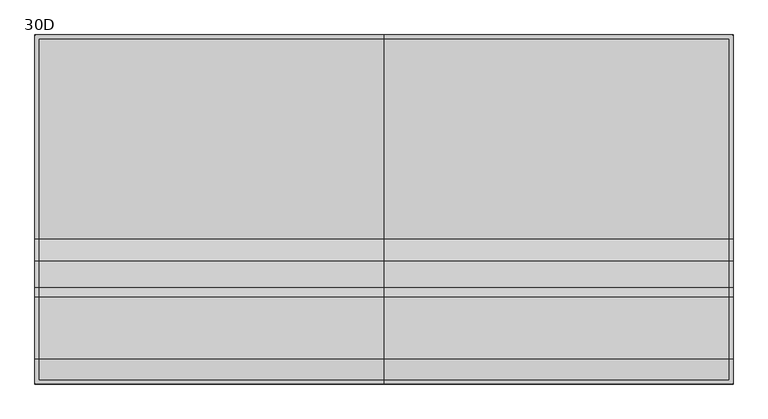
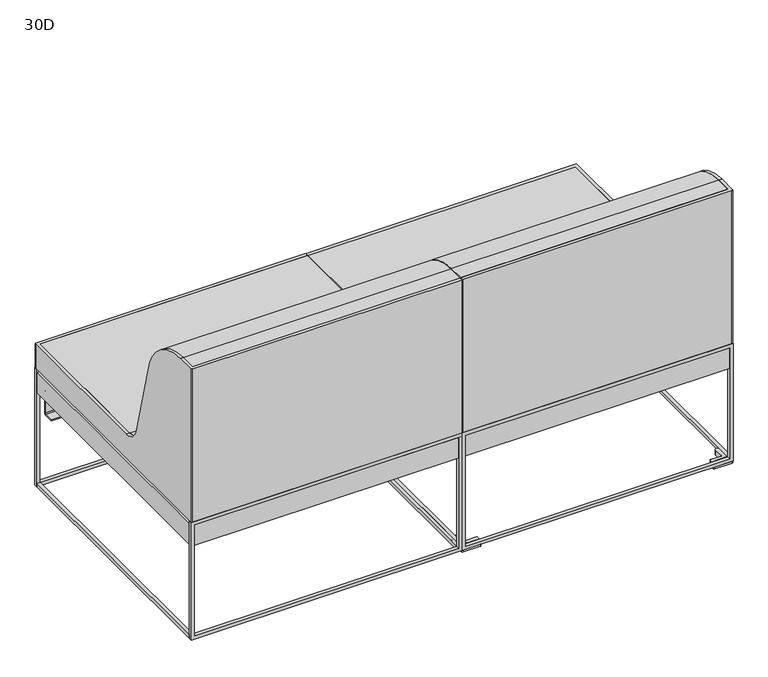
"""IFC4 building model written with IfcOpenShell, lengths in millimetres: furniture geometry, 30D."""

from ifc_helpers import new_model, si_unit, point, frame, frame_2d, origin, place, context, project, spatial, polyline, circle_curve, trimmed, segment, composite_curve, outline, extrude, source, transform, mapped, element, save
from ifc_brep_helpers import plane_surface, cylinder_surface, revolved_surface, advanced_brep


def furniture_30d_b2ae7614(model_context):
    return source(origin(), model_context, "Body", "SolidModel", [
        extrude(outline(polyline([(76.3255737, 762.0), (76.3255737, 761.5474113), (48.6342407, 761.5474113), (48.6342407, 762.0), (76.3255737, 762.0)])), frame((0.0, 0.0, 233.0534527), z_axis=(0.0, 0.0, 1.0), x_axis=(1.0, 0.0, 0.0)), (0.0, 0.0, 1.0), 27.4407306),
        extrude(outline(polyline([(152.3581421, 762.0), (152.3581421, 761.5474113), (124.6668091, 761.5474113), (124.6668091, 762.0), (152.3581421, 762.0)])), frame((0.0, 0.0, 233.0534527), z_axis=(0.0, 0.0, 1.0), x_axis=(1.0, 0.0, 0.0)), (0.0, 0.0, 1.0), 27.4407306),
        extrude(outline(polyline([(157.5113159, 761.5474113), (157.5113159, 759.897294), (43.0113281, 759.897294), (43.0113281, 761.5474113), (157.5113159, 761.5474113)])), frame((0.0, 0.0, 228.0394238), z_axis=(0.0, 0.0, 1.0), x_axis=(1.0, 0.0, 0.0)), (0.0, 0.0, 1.0), 37.0881613),
        extrude(outline(polyline([(160.5483398, 759.897294), (160.5483398, 758.7779434), (39.5464233, 758.7779434), (39.5464233, 759.897294), (160.5483398, 759.897294)])), frame((0.0, 0.0, 224.8084618), z_axis=(0.0, 0.0, 1.0), x_axis=(1.0, 0.0, 0.0)), (0.0, 0.0, 1.0), 44.1123329),
        extrude(outline(composite_curve([segment(polyline([(753.0797168, 280.8995693), (669.7477095, 280.8995693), (669.7477095, 283.5283514), (752.9538559, 283.5283514)]), True, "CONTINUOUS"), segment(trimmed(circle_curve(frame_2d((752.9538559, 277.704264)), 5.8240875), [point((752.9538559, 283.5283514))], [point((758.7779434, 277.704264))], False, "CARTESIAN"), True, "CONTINUOUS"), segment(polyline([(758.7779434, 277.704264), (758.7779434, 215.5405743)]), True, "CONTINUOUS"), segment(trimmed(circle_curve(frame_2d((752.4279434, 215.5405743)), 6.35), [point((758.7779434, 215.5405743))], [point((752.4279434, 209.1905743))], False, "CARTESIAN"), True, "CONTINUOUS"), segment(polyline([(752.4279434, 209.1905743), (726.2212681, 209.1905743), (726.2212681, 211.8216092), (752.7477967, 211.8216092)]), True, "CONTINUOUS"), segment(trimmed(circle_curve(frame_2d((752.7477967, 215.123667)), 3.3020578), [point((752.7477967, 211.8216092))], [point((756.0498545, 215.123667))], True, "CARTESIAN"), True, "CONTINUOUS"), segment(polyline([(756.0498545, 215.123667), (756.0498545, 277.9294317)]), True, "CONTINUOUS"), segment(trimmed(circle_curve(frame_2d((753.0797168, 277.9294317)), 2.9701377), [point((756.0498545, 277.9294317))], [point((753.0797168, 280.8995693))], True, "CARTESIAN"), True, "CONTINUOUS")], self_intersect=False)), frame((25.3798462, 0.0, 0.0), z_axis=(1.0, 0.0, 0.0), x_axis=(0.0, 1.0, 0.0)), (0.0, 0.0, 1.0), 150.0001465),
        extrude(outline(polyline([(763.1457418, 1.1443342), (763.1457418, 760.857802), (1522.8553024, 760.857802), (1522.8553024, 1.1443342), (763.1457418, 1.1443342)])), frame((0.0, 0.0, 283.5283514), z_axis=(0.0, 0.0, 1.0), x_axis=(1.0, 0.0, 0.0)), (0.0, 0.0, 1.0), 61.9613161),
        extrude(outline(polyline([(355.0146312, 1524.0), (355.0146312, 762.0), (5.7646191, 762.0), (5.7646191, 1524.0), (355.0146312, 1524.0)]), holes=[polyline([(345.4896675, 1514.348), (15.289646, 1514.348), (15.289646, 771.652), (345.4896675, 771.652), (345.4896675, 1514.348)])]), frame((0.0, 0.0, 0.0), z_axis=(0.0, 1.0, 0.0), x_axis=(0.0, 0.0, 1.0)), (0.0, 0.0, 1.0), 9.525),
        extrude(outline(polyline([(1514.348, 9.525218), (1514.348, 752.4678783), (1524.0, 752.4678783), (1524.0, 9.525218), (1514.348, 9.525218)])), frame((0.0, 0.0, 5.7646191), z_axis=(0.0, 0.0, 1.0), x_axis=(1.0, 0.0, 0.0)), (0.0, 0.0, 1.0), 9.5250269),
        extrude(outline(polyline([(771.652, 752.4678783), (771.652, 9.525218), (762.0, 9.525218), (762.0, 752.4678783), (771.652, 752.4678783)])), frame((0.0, 0.0, 5.7646191), z_axis=(0.0, 0.0, 1.0), x_axis=(1.0, 0.0, 0.0)), (0.0, 0.0, 1.0), 9.5250269),
        extrude(outline(polyline([(1514.348, 9.525218), (1514.348, 752.4678783), (1524.0, 752.4678783), (1524.0, 9.525218), (1514.348, 9.525218)])), frame((0.0, 0.0, 5.7646191), z_axis=(0.0, 0.0, 1.0), x_axis=(1.0, 0.0, 0.0)), (0.0, 0.0, 1.0), 9.5250269),
        extrude(outline(polyline([(771.652, 752.4678783), (771.652, 9.525218), (762.0, 9.525218), (762.0, 752.4678783), (771.652, 752.4678783)])), frame((0.0, 0.0, 5.7646191), z_axis=(0.0, 0.0, 1.0), x_axis=(1.0, 0.0, 0.0)), (0.0, 0.0, 1.0), 9.5250269),
        extrude(outline(polyline([(355.0146312, 1524.0), (355.0146312, 762.0), (5.7646191, 762.0), (5.7646191, 1524.0), (355.0146312, 1524.0)]), holes=[polyline([(345.4896675, 1514.348), (15.289646, 1514.348), (15.289646, 771.652), (345.4896675, 771.652), (345.4896675, 1514.348)])]), frame((0.0, 752.4678783, 0.0), z_axis=(0.0, 1.0, 0.0), x_axis=(0.0, 0.0, 1.0)), (0.0, 0.0, 1.0), 9.5321217),
        extrude(outline(polyline([(760.8542582, 1.1443342), (1.1446976, 1.1443342), (1.1446976, 760.857802), (760.8542582, 760.857802), (760.8542582, 1.1443342)])), frame((0.0, 0.0, 283.5283514), z_axis=(0.0, 0.0, 1.0), x_axis=(1.0, 0.0, 0.0)), (0.0, 0.0, 1.0), 61.9613161),
        extrude(outline(polyline([(762.0, 752.4678783), (762.0, 9.525218), (760.8553024, 9.525218), (760.8553024, 752.4678783), (762.0, 752.4678783)])), frame((0.0, 0.0, 283.5282424), z_axis=(0.0, 0.0, 1.0), x_axis=(1.0, 0.0, 0.0)), (0.0, 0.0, 1.0), 61.9616085),
        extrude(outline(polyline([(9.652, 9.525218), (0.0, 9.525218), (0.0, 752.4678783), (9.652, 752.4678783), (9.652, 9.525218)])), frame((0.0, 0.0, 5.7646191), z_axis=(0.0, 0.0, 1.0), x_axis=(1.0, 0.0, 0.0)), (0.0, 0.0, 1.0), 9.5250269),
        extrude(outline(polyline([(752.348, 752.4678783), (762.0, 752.4678783), (762.0, 9.525218), (752.348, 9.525218), (752.348, 752.4678783)])), frame((0.0, 0.0, 5.7646191), z_axis=(0.0, 0.0, 1.0), x_axis=(1.0, 0.0, 0.0)), (0.0, 0.0, 1.0), 9.5250269),
        extrude(outline(polyline([(355.0146312, 0.0), (5.7646191, 0.0), (5.7646191, 762.0), (355.0146312, 762.0), (355.0146312, 0.0)]), holes=[polyline([(345.4896675, 9.652), (345.4896675, 752.348), (15.289646, 752.348), (15.289646, 9.652), (345.4896675, 9.652)])]), frame((0.0, 752.4678783, 0.0), z_axis=(0.0, 1.0, 0.0), x_axis=(0.0, 0.0, 1.0)), (0.0, 0.0, 1.0), 9.5321217),
        extrude(outline(polyline([(355.0146312, 0.0), (5.7646191, 0.0), (5.7646191, 762.0), (355.0146312, 762.0), (355.0146312, 0.0)]), holes=[polyline([(345.4896675, 9.652), (345.4896675, 752.348), (15.289646, 752.348), (15.289646, 9.652), (345.4896675, 9.652)])]), frame((0.0, 0.0, 0.0), z_axis=(0.0, 1.0, 0.0), x_axis=(0.0, 0.0, 1.0)), (0.0, 0.0, 1.0), 9.525),
        extrude(outline(composite_curve([segment(polyline([(9.525218, 356.0322699), (9.525218, 811.3870454), (53.9744671, 811.3870454)]), True, "CONTINUOUS"), segment(trimmed(circle_curve(frame_2d((53.9744671, 652.5955773)), 158.7914681), [point((53.9744671, 811.3870454))], [point((190.5, 733.6850908))], False, "CARTESIAN"), True, "CONTINUOUS"), segment(trimmed(circle_curve(frame_2d((53.9744671, 652.5955773)), 158.7914681), [point((190.5, 733.6850908))], [point((209.8067184, 683.1085218))], False, "CARTESIAN"), True, "CONTINUOUS"), segment(trimmed(circle_curve(frame_2d((1889.2345963, 1011.9511668)), 1711.3198071), [point((209.8067184, 683.1085218))], [point((268.7710315, 461.7572761))], True, "CARTESIAN"), True, "CONTINUOUS"), segment(trimmed(circle_curve(frame_2d((316.873992, 478.0896118)), 50.8), [point((268.7710315, 461.7572761))], [point((316.873992, 427.2896118))], True, "CARTESIAN"), True, "CONTINUOUS"), segment(polyline([(316.873992, 427.2896118), (752.4678783, 427.2896118), (752.4678783, 356.0322699), (9.525218, 356.0322699)]), True, "CONTINUOUS")], self_intersect=False)), frame((9.525, 0.0, 0.0), z_axis=(1.0, 0.0, 0.0), x_axis=(0.0, 1.0, 0.0)), (0.0, 0.0, 1.0), 751.459),
        extrude(outline(composite_curve([segment(polyline([(9.525218, 356.0322699), (9.525218, 811.3870454), (53.9744671, 811.3870454)]), True, "CONTINUOUS"), segment(trimmed(circle_curve(frame_2d((53.9744671, 652.5955773)), 158.7914681), [point((53.9744671, 811.3870454))], [point((190.5, 733.6850908))], False, "CARTESIAN"), True, "CONTINUOUS"), segment(trimmed(circle_curve(frame_2d((53.9744671, 652.5955773)), 158.7914681), [point((190.5, 733.6850908))], [point((209.8067184, 683.1085218))], False, "CARTESIAN"), True, "CONTINUOUS"), segment(trimmed(circle_curve(frame_2d((1889.2345963, 1011.9511668)), 1711.3198071), [point((209.8067184, 683.1085218))], [point((268.7710315, 461.7572761))], True, "CARTESIAN"), True, "CONTINUOUS"), segment(trimmed(circle_curve(frame_2d((316.873992, 478.0896118)), 50.8), [point((268.7710315, 461.7572761))], [point((316.873992, 427.2896118))], True, "CARTESIAN"), True, "CONTINUOUS"), segment(polyline([(316.873992, 427.2896118), (752.4678783, 427.2896118), (752.4678783, 356.0322699), (9.525218, 356.0322699)]), True, "CONTINUOUS")], self_intersect=False)), frame((763.016, 0.0, 0.0), z_axis=(1.0, 0.0, 0.0), x_axis=(0.0, 1.0, 0.0)), (0.0, 0.0, 1.0), 751.332),
        advanced_brep(
        [(0.0, 3.5791729, 356.0322699), (0.0, 758.4208271, 356.0322699), (3.5791729, 762.0, 356.0322699), (760.984, 762.0, 356.0322699), (760.984, 752.4678783, 356.0322699), (9.652, 752.4678783, 356.0322699), (9.652, 9.525218, 356.0322699), (760.984, 9.525218, 356.0322699), (760.984, 0.0, 356.0322699), (3.5791729, 0.0, 356.0322699), (0.0, 3.5791729, 811.3870454), (0.0, 53.9744671, 811.3870454), (0.0, 190.5, 733.6850908), (0.0, 209.8067184, 683.1085218), (0.0, 268.7710315, 461.7572761), (0.0, 316.873992, 427.2896118), (0.0, 758.4208271, 427.2896118), (3.5791729, 762.0, 427.2896118), (760.984, 762.0, 427.2896118), (760.984, 0.0, 811.3870454), (3.5791729, 0.0, 811.3870454), (9.652, 9.525218, 811.3870454), (760.984, 9.525218, 811.3870454), (760.984, 752.4678783, 427.2896118), (9.652, 752.4678783, 427.2896118), (9.652, 316.873992, 427.2896118), (9.652, 268.7710315, 461.7572761), (9.652, 209.8067184, 683.1085218), (9.652, 190.5, 733.6850908), (9.652, 53.9744671, 811.3870454)],
        [
            (0, 1),
            (1, 2, circle_curve(frame((3.5791729, 758.4208271, 356.0322699), z_axis=(0.0, 0.0, -1.0), x_axis=(1.0, 0.0, 0.0)), 3.5791729)),
            (2, 3),
            (3, 4),
            (4, 5),
            (5, 6),
            (6, 7),
            (7, 8),
            (8, 9),
            (9, 0, circle_curve(frame((3.5791729, 3.5791729, 356.0322699), z_axis=(0.0, 0.0, -1.0), x_axis=(1.0, 0.0, 0.0)), 3.5791729)),
            (0, 10),
            (10, 11),
            (11, 12, circle_curve(frame((0.0, 53.9744671, 652.5955773), z_axis=(-1.0, 0.0, 0.0), x_axis=(0.0, -1.0, 0.0)), 158.7914681)),
            (12, 13, circle_curve(frame((0.0, 53.9744671, 652.5955773), z_axis=(-1.0, 0.0, 0.0), x_axis=(0.0, -1.0, 0.0)), 158.7914681)),
            (13, 14, circle_curve(frame((0.0, 1889.2345963, 1011.9511668), z_axis=(1.0, 0.0, 0.0), x_axis=(0.0, -1.0, 0.0)), 1711.3198071)),
            (14, 15, circle_curve(frame((0.0, 316.873992, 478.0896118), z_axis=(1.0, 0.0, 0.0), x_axis=(0.0, -1.0, 0.0)), 50.8)),
            (15, 16),
            (16, 1),
            (16, 17, circle_curve(frame((3.5791729, 758.4208271, 427.2896118), z_axis=(0.0, 0.0, -1.0), x_axis=(1.0, 0.0, 0.0)), 3.5791729)),
            (17, 2),
            (17, 18),
            (18, 3),
            (8, 19),
            (19, 20),
            (20, 9),
            (20, 10, circle_curve(frame((3.5791729, 3.5791729, 811.3870454), z_axis=(0.0, 0.0, -1.0), x_axis=(1.0, 0.0, 0.0)), 3.5791729)),
            (21, 22),
            (22, 7),
            (6, 21),
            (4, 23),
            (23, 24),
            (24, 5),
            (24, 25),
            (25, 26, circle_curve(frame((9.652, 316.873992, 478.0896118), z_axis=(-1.0, 0.0, 0.0), x_axis=(0.0, -1.0, 0.0)), 50.8)),
            (26, 27, circle_curve(frame((9.652, 1889.2345963, 1011.9511668), z_axis=(-1.0, 0.0, 0.0), x_axis=(0.0, -1.0, 0.0)), 1711.3198071)),
            (27, 28, circle_curve(frame((9.652, 53.9744671, 652.5955773), z_axis=(1.0, 0.0, 0.0), x_axis=(0.0, -1.0, 0.0)), 158.7914681)),
            (28, 29, circle_curve(frame((9.652, 53.9744671, 652.5955773), z_axis=(1.0, 0.0, 0.0), x_axis=(0.0, -1.0, 0.0)), 158.7914681)),
            (29, 21),
            (19, 22),
            (29, 11),
            (23, 18),
            (15, 25),
            (12, 28),
            (27, 13),
            (26, 14),
        ],
        [
            plane_surface(frame((0.0, 3.5791729, 356.0322699), z_axis=(0.0, 0.0, -1.0), x_axis=(0.0, -1.0, 0.0))),
            plane_surface(frame((0.0, 3.5791729, 883.1264159), z_axis=(-1.0, 0.0, 0.0), x_axis=(0.0, 0.0, -1.0))),
            cylinder_surface(frame((3.5791729, 758.4208271, 356.0322699), z_axis=(0.0, 0.0, 1.0), x_axis=(1.0, 0.0, 0.0)), 3.5791729),
            plane_surface(frame((3.5791729, 762.0, 883.1264159), z_axis=(0.0, 1.0, 0.0), x_axis=(0.0, 0.0, -1.0))),
            plane_surface(frame((1520.4208271, 0.0, 883.1264159), z_axis=(0.0, -1.0, 0.0), x_axis=(0.0, 0.0, -1.0))),
            cylinder_surface(frame((3.5791729, 3.5791729, 356.0322699), z_axis=(0.0, 0.0, 1.0), x_axis=(1.0, 0.0, 0.0)), 3.5791729),
            plane_surface(frame((9.652, 9.525218, 883.1264159), z_axis=(0.0, 1.0, 0.0), x_axis=(0.0, 0.0, -1.0))),
            plane_surface(frame((1514.348, 752.4678783, 883.1264159), z_axis=(0.0, -1.0, 0.0), x_axis=(0.0, 0.0, -1.0))),
            plane_surface(frame((9.652, 752.4678783, 883.1264159), z_axis=(1.0, 0.0, 0.0), x_axis=(0.0, 0.0, -1.0))),
            plane_surface(frame((1879.6, 53.9744671, 811.3870454), z_axis=(0.0, 0.0, 1.0), x_axis=(-1.0, 0.0, 0.0))),
            plane_surface(frame((1879.6, 765.2220566, 427.2896118), z_axis=(0.0, 0.0, 1.0), x_axis=(-1.0, 0.0, 0.0))),
            cylinder_surface(frame((0.0, 53.9744671, 652.5955773), z_axis=(-1.0, 0.0, 0.0), x_axis=(0.0, -1.0, 0.0)), 158.7914681),
            revolved_surface(polyline([(9.652, 177.9147892000001, 1011.9511668), (0.0, 177.9147892000001, 1011.9511668)]), (0.0, 1889.2345963, 1011.9511668), (1.0, 0.0, 0.0)),
            revolved_surface(polyline([(9.652, 266.073992, 478.0896118), (0.0, 266.073992, 478.0896118)]), (0.0, 316.873992, 478.0896118), (1.0, 0.0, 0.0)),
            plane_surface(frame((760.984, 0.0, 2246.8279227), z_axis=(1.0, 0.0, 0.0), x_axis=(0.0, 0.0, -1.0))),
        ],
        [
            (0, [[1, 2, 3, 4, 5, 6, 7, 8, 9, 10]]),
            (1, [[11, 12, 13, 14, 15, 16, 17, 18, -1]]),
            (2, [[-18, 19, 20, -2]]),
            (3, [[21, 22, -3, -20]]),
            (4, [[-9, 23, 24, 25]]),
            (5, [[-25, 26, -11, -10]]),
            (6, [[27, 28, -7, 29]]),
            (7, [[-5, 30, 31, 32]]),
            (8, [[-32, 33, 34, 35, 36, 37, 38, -29, -6]]),
            (9, [[-12, -26, -24, 39, -27, -38, 40]]),
            (10, [[-33, -31, 41, -21, -19, -17, 42]]),
            (11, [[-14, 43, -36, 44]]),
            (11, [[-37, -43, -13, -40]]),
            (12, [[-35, 45, -15, -44]]),
            (13, [[-34, -42, -16, -45]]),
            (14, [[-22, -41, -30, -4]]),
            (14, [[-28, -39, -23, -8]]),
        ],
    ),
        advanced_brep(
        [(1520.4208271, 0.0, 356.0322699), (763.016, 0.0, 356.0322699), (763.016, 9.525218, 356.0322699), (1514.348, 9.525218, 356.0322699), (1514.348, 752.4678783, 356.0322699), (763.016, 752.4678783, 356.0322699), (763.016, 762.0, 356.0322699), (1520.4208271, 762.0, 356.0322699), (1524.0, 758.4208271, 356.0322699), (1524.0, 3.5791729, 356.0322699), (763.016, 762.0, 427.2896118), (1520.4208271, 762.0, 427.2896118), (1524.0, 758.4208271, 427.2896118), (1524.0, 316.873992, 427.2896118), (1524.0, 268.7710315, 461.7572761), (1524.0, 209.8067184, 683.1085218), (1524.0, 190.5, 733.6850908), (1524.0, 53.9744671, 811.3870454), (1524.0, 3.5791729, 811.3870454), (1520.4208271, 0.0, 811.3870454), (763.016, 0.0, 811.3870454), (763.016, 9.525218, 811.3870454), (1514.348, 9.525218, 811.3870454), (1514.348, 53.9744671, 811.3870454), (1514.348, 190.5, 733.6850908), (1514.348, 209.8067184, 683.1085218), (1514.348, 268.7710315, 461.7572761), (1514.348, 316.873992, 427.2896118), (1514.348, 752.4678783, 427.2896118), (763.016, 752.4678783, 427.2896118)],
        [
            (0, 1),
            (1, 2),
            (2, 3),
            (3, 4),
            (4, 5),
            (5, 6),
            (6, 7),
            (7, 8, circle_curve(frame((1520.4208271, 758.4208271, 356.0322699), z_axis=(0.0, 0.0, -1.0), x_axis=(1.0, 0.0, 0.0)), 3.5791729)),
            (8, 9),
            (9, 0, circle_curve(frame((1520.4208271, 3.5791729, 356.0322699), z_axis=(0.0, 0.0, -1.0), x_axis=(1.0, 0.0, 0.0)), 3.5791729)),
            (6, 10),
            (10, 11),
            (11, 7),
            (11, 12, circle_curve(frame((1520.4208271, 758.4208271, 427.2896118), z_axis=(0.0, 0.0, -1.0), x_axis=(1.0, 0.0, 0.0)), 3.5791729)),
            (12, 8),
            (12, 13),
            (13, 14, circle_curve(frame((1524.0, 316.873992, 478.0896118), z_axis=(-1.0, 0.0, 0.0), x_axis=(0.0, -1.0, 0.0)), 50.8)),
            (14, 15, circle_curve(frame((1524.0, 1889.2345963, 1011.9511668), z_axis=(-1.0, 0.0, 0.0), x_axis=(0.0, -1.0, 0.0)), 1711.3198071)),
            (15, 16, circle_curve(frame((1524.0, 53.9744671, 652.5955773), z_axis=(1.0, 0.0, 0.0), x_axis=(0.0, -1.0, 0.0)), 158.7914681)),
            (16, 17, circle_curve(frame((1524.0, 53.9744671, 652.5955773), z_axis=(1.0, 0.0, 0.0), x_axis=(0.0, -1.0, 0.0)), 158.7914681)),
            (17, 18),
            (18, 9),
            (18, 19, circle_curve(frame((1520.4208271, 3.5791729, 811.3870454), z_axis=(0.0, 0.0, -1.0), x_axis=(1.0, 0.0, 0.0)), 3.5791729)),
            (19, 0),
            (19, 20),
            (20, 1),
            (2, 21),
            (21, 22),
            (22, 3),
            (22, 23),
            (23, 24, circle_curve(frame((1514.348, 53.9744671, 652.5955773), z_axis=(-1.0, 0.0, 0.0), x_axis=(0.0, -1.0, 0.0)), 158.7914681)),
            (24, 25, circle_curve(frame((1514.348, 53.9744671, 652.5955773), z_axis=(-1.0, 0.0, 0.0), x_axis=(0.0, -1.0, 0.0)), 158.7914681)),
            (25, 26, circle_curve(frame((1514.348, 1889.2345963, 1011.9511668), z_axis=(1.0, 0.0, 0.0), x_axis=(0.0, -1.0, 0.0)), 1711.3198071)),
            (26, 27, circle_curve(frame((1514.348, 316.873992, 478.0896118), z_axis=(1.0, 0.0, 0.0), x_axis=(0.0, -1.0, 0.0)), 50.8)),
            (27, 28),
            (28, 4),
            (28, 29),
            (29, 5),
            (21, 20),
            (17, 23),
            (10, 29),
            (27, 13),
            (24, 16),
            (15, 25),
            (14, 26),
        ],
        [
            plane_surface(frame((0.0, 3.5791729, 356.0322699), z_axis=(0.0, 0.0, -1.0), x_axis=(0.0, -1.0, 0.0))),
            plane_surface(frame((3.5791729, 762.0, 883.1264159), z_axis=(0.0, 1.0, 0.0), x_axis=(0.0, 0.0, -1.0))),
            cylinder_surface(frame((1520.4208271, 758.4208271, 356.0322699), z_axis=(0.0, 0.0, 1.0), x_axis=(1.0, 0.0, 0.0)), 3.5791729),
            plane_surface(frame((1524.0, 758.4208271, 883.1264159), z_axis=(1.0, 0.0, 0.0), x_axis=(0.0, 0.0, -1.0))),
            cylinder_surface(frame((1520.4208271, 3.5791729, 356.0322699), z_axis=(0.0, 0.0, 1.0), x_axis=(1.0, 0.0, 0.0)), 3.5791729),
            plane_surface(frame((1520.4208271, 0.0, 883.1264159), z_axis=(0.0, -1.0, 0.0), x_axis=(0.0, 0.0, -1.0))),
            plane_surface(frame((9.652, 9.525218, 883.1264159), z_axis=(0.0, 1.0, 0.0), x_axis=(0.0, 0.0, -1.0))),
            plane_surface(frame((1514.348, 9.525218, 883.1264159), z_axis=(-1.0, 0.0, 0.0), x_axis=(0.0, 0.0, -1.0))),
            plane_surface(frame((1514.348, 752.4678783, 883.1264159), z_axis=(0.0, -1.0, 0.0), x_axis=(0.0, 0.0, -1.0))),
            plane_surface(frame((1879.6, 53.9744671, 811.3870454), z_axis=(0.0, 0.0, 1.0), x_axis=(-1.0, 0.0, 0.0))),
            plane_surface(frame((1879.6, 765.2220566, 427.2896118), z_axis=(0.0, 0.0, 1.0), x_axis=(-1.0, 0.0, 0.0))),
            cylinder_surface(frame((0.0, 53.9744671, 652.5955773), z_axis=(-1.0, 0.0, 0.0), x_axis=(0.0, -1.0, 0.0)), 158.7914681),
            revolved_surface(polyline([(1524.0, 177.9147892000001, 1011.9511668), (1514.348, 177.9147892000001, 1011.9511668)]), (0.0, 1889.2345963, 1011.9511668), (1.0, 0.0, 0.0)),
            revolved_surface(polyline([(1524.0, 266.073992, 478.0896118), (1514.348, 266.073992, 478.0896118)]), (0.0, 316.873992, 478.0896118), (1.0, 0.0, 0.0)),
            plane_surface(frame((763.016, 762.0, 2246.8279227), z_axis=(-1.0, 0.0, 0.0), x_axis=(0.0, 0.0, -1.0))),
        ],
        [
            (0, [[1, 2, 3, 4, 5, 6, 7, 8, 9, 10]]),
            (1, [[-7, 11, 12, 13]]),
            (2, [[-13, 14, 15, -8]]),
            (3, [[-15, 16, 17, 18, 19, 20, 21, 22, -9]]),
            (4, [[-22, 23, 24, -10]]),
            (5, [[25, 26, -1, -24]]),
            (6, [[-3, 27, 28, 29]]),
            (7, [[-29, 30, 31, 32, 33, 34, 35, 36, -4]]),
            (8, [[37, 38, -5, -36]]),
            (9, [[-30, -28, 39, -25, -23, -21, 40]]),
            (10, [[-16, -14, -12, 41, -37, -35, 42]]),
            (11, [[-32, 43, -19, 44]]),
            (11, [[-20, -43, -31, -40]]),
            (12, [[-18, 45, -33, -44]]),
            (13, [[-17, -42, -34, -45]]),
            (14, [[-26, -39, -27, -2]]),
            (14, [[-38, -41, -11, -6]]),
        ],
    ),
        advanced_brep(
        [(1470.0248062, 17.8257996, 15.289646), (1470.0248062, 10.532642, 15.289646), (1514.348, 10.532642, 15.289646), (1514.348, 53.9744671, 15.289646), (1506.9916118, 53.9744671, 15.289646), (1503.6896118, 50.6724671, 15.289646), (1503.6896118, 23.6896322, 15.289646), (1500.3657792, 20.3657996, 15.289646), (1472.5648062, 20.3657996, 15.289646), (1470.0248062, 17.8257996, 0.0), (1472.5648062, 20.3657996, 0.0), (1500.3657792, 20.3657996, 0.0), (1503.6896118, 23.6896322, 0.0), (1503.6896118, 50.6724671, 0.0), (1506.9916118, 53.9744671, 0.0), (1521.46, 53.9744671, 0.0), (1524.0, 51.4344671, 0.0), (1524.0, 3.5791729, 0.0), (1520.4208271, 0.0, 0.0), (1472.6809604, 0.0, 0.0), (1470.0248062, 2.6561542, 0.0), (1470.0248062, 2.6561542, 5.7646191), (1470.0248062, 10.532642, 5.7646191), (1472.6809604, 0.0, 5.7646191), (1520.4208271, 0.0, 5.7646191), (1524.0, 3.5791729, 5.7646191), (1524.0, 51.4344671, 5.7646191), (1521.46, 53.9744671, 5.7646191), (1514.348, 53.9744671, 5.7646191), (1514.348, 10.532642, 5.7646191)],
        [
            (0, 1),
            (1, 2),
            (2, 3),
            (3, 4),
            (4, 5, circle_curve(frame((1506.9916118, 50.6724671, 15.289646), z_axis=(0.0, 0.0, 1.0), x_axis=(-1.0, 0.0, 0.0)), 3.302)),
            (5, 6),
            (6, 7, circle_curve(frame((1500.3657792, 23.6896322, 15.289646), z_axis=(0.0, 0.0, -1.0), x_axis=(-1.0, 0.0, 0.0)), 3.3238326)),
            (7, 8),
            (8, 0, circle_curve(frame((1472.5648062, 17.8257996, 15.289646), z_axis=(0.0, 0.0, 1.0), x_axis=(-1.0, 0.0, 0.0)), 2.54)),
            (9, 10, circle_curve(frame((1472.5648062, 17.8257996, 0.0), z_axis=(0.0, 0.0, -1.0), x_axis=(-1.0, 0.0, 0.0)), 2.54)),
            (10, 11),
            (11, 12, circle_curve(frame((1500.3657792, 23.6896322, 0.0), z_axis=(0.0, 0.0, 1.0), x_axis=(-1.0, 0.0, 0.0)), 3.3238326)),
            (12, 13),
            (13, 14, circle_curve(frame((1506.9916118, 50.6724671, 0.0), z_axis=(0.0, 0.0, -1.0), x_axis=(-1.0, 0.0, 0.0)), 3.302)),
            (14, 15),
            (15, 16, circle_curve(frame((1521.46, 51.4344671, 0.0), z_axis=(0.0, 0.0, -1.0), x_axis=(-1.0, 0.0, 0.0)), 2.54)),
            (16, 17),
            (17, 18, circle_curve(frame((1520.4208271, 3.5791729, 0.0), z_axis=(0.0, 0.0, -1.0), x_axis=(-1.0, 0.0, 0.0)), 3.5791729)),
            (18, 19),
            (19, 20, circle_curve(frame((1472.6809604, 2.6561542, 0.0), z_axis=(0.0, 0.0, -1.0), x_axis=(-1.0, 0.0, 0.0)), 2.6561542)),
            (20, 9),
            (20, 21),
            (21, 22),
            (22, 1),
            (0, 9),
            (19, 23),
            (23, 21, circle_curve(frame((1472.6809604, 2.6561542, 5.7646191), z_axis=(0.0, 0.0, -1.0), x_axis=(-1.0, 0.0, 0.0)), 2.6561542)),
            (18, 24),
            (24, 23),
            (17, 25),
            (25, 24, circle_curve(frame((1520.4208271, 3.5791729, 5.7646191), z_axis=(0.0, 0.0, -1.0), x_axis=(-1.0, 0.0, 0.0)), 3.5791729)),
            (16, 26),
            (26, 25),
            (15, 27),
            (27, 26, circle_curve(frame((1521.46, 51.4344671, 5.7646191), z_axis=(0.0, 0.0, -1.0), x_axis=(-1.0, 0.0, 0.0)), 2.54)),
            (14, 4),
            (3, 28),
            (28, 27),
            (13, 5),
            (12, 6),
            (11, 7),
            (10, 8),
            (28, 29),
            (29, 22),
            (2, 29),
        ],
        [
            plane_surface(frame((1470.0248062, 17.8257996, 15.289646), z_axis=(0.0, 0.0, 1.0), x_axis=(0.0, 1.0, 0.0))),
            plane_surface(frame((1470.0248062, 17.8257996, 0.0), z_axis=(0.0, 0.0, -1.0), x_axis=(0.0, -1.0, 0.0))),
            plane_surface(frame((1470.0248062, 2.6561542, 15.289646), z_axis=(-1.0, 0.0, 0.0), x_axis=(0.0, 0.0, -1.0))),
            cylinder_surface(frame((1472.6809604, 2.6561542, 0.0), z_axis=(0.0, 0.0, 1.0), x_axis=(-1.0, 0.0, 0.0)), 2.6561542),
            plane_surface(frame((1520.4208271, 0.0, 15.289646), z_axis=(0.0, -1.0, 0.0), x_axis=(0.0, 0.0, -1.0))),
            cylinder_surface(frame((1520.4208271, 3.5791729, 0.0), z_axis=(0.0, 0.0, 1.0), x_axis=(-1.0, 0.0, 0.0)), 3.5791729),
            plane_surface(frame((1524.0, 51.4344671, 15.289646), z_axis=(1.0, 0.0, 0.0), x_axis=(0.0, 0.0, -1.0))),
            cylinder_surface(frame((1521.46, 51.4344671, 0.0), z_axis=(0.0, 0.0, 1.0), x_axis=(-1.0, 0.0, 0.0)), 2.54),
            plane_surface(frame((1506.9916118, 53.9744671, 15.289646), z_axis=(0.0, 1.0, 0.0), x_axis=(0.0, 0.0, -1.0))),
            cylinder_surface(frame((1506.9916118, 50.6724671, 0.0), z_axis=(0.0, 0.0, 1.0), x_axis=(-1.0, 0.0, 0.0)), 3.302),
            plane_surface(frame((1503.6896118, 23.6896322, 15.289646), z_axis=(-1.0, 0.0, 0.0), x_axis=(0.0, 0.0, -1.0))),
            revolved_surface(polyline([(1497.0419465999998, 23.6896322, 0.0), (1497.0419465999998, 23.6896322, 15.289646)]), (1500.3657792, 23.6896322, 0.0), (0.0, 0.0, -1.0)),
            plane_surface(frame((1472.5648062, 20.3657996, 15.289646), z_axis=(0.0, 1.0, 0.0), x_axis=(0.0, 0.0, -1.0))),
            cylinder_surface(frame((1472.5648062, 17.8257996, 0.0), z_axis=(0.0, 0.0, 1.0), x_axis=(-1.0, 0.0, 0.0)), 2.54),
            plane_surface(frame((1514.348, 327.0259689, 5.7646191), z_axis=(0.0, 0.0, 1.0), x_axis=(0.0, 1.0, 0.0))),
            plane_surface(frame((1514.348, 10.532642, 126.7257456), z_axis=(1.0, 0.0, 0.0), x_axis=(0.0, 0.0, -1.0))),
            plane_surface(frame((1470.0248062, 10.532642, 126.7257456), z_axis=(0.0, -1.0, 0.0), x_axis=(0.0, 0.0, -1.0))),
        ],
        [
            (0, [[1, 2, 3, 4, 5, 6, 7, 8, 9]]),
            (1, [[10, 11, 12, 13, 14, 15, 16, 17, 18, 19, 20, 21]]),
            (2, [[22, 23, 24, -1, 25, -21]]),
            (3, [[26, 27, -22, -20]]),
            (4, [[28, 29, -26, -19]]),
            (5, [[30, 31, -28, -18]]),
            (6, [[32, 33, -30, -17]]),
            (7, [[34, 35, -32, -16]]),
            (8, [[36, -4, 37, 38, -34, -15]]),
            (9, [[-36, -14, 39, -5]]),
            (10, [[-39, -13, 40, -6]]),
            (11, [[-40, -12, 41, -7]]),
            (12, [[-41, -11, 42, -8]]),
            (13, [[-42, -10, -25, -9]]),
            (14, [[-23, -27, -29, -31, -33, -35, -38, 43, 44]]),
            (15, [[-37, -3, 45, -43]]),
            (16, [[-45, -2, -24, -44]]),
        ],
    ),
        advanced_brep(
        [(779.0083882, 53.9744671, 15.289646), (771.652, 53.9744671, 15.289646), (771.652, 10.532642, 15.289646), (815.9751938, 10.532642, 15.289646), (815.9751938, 17.8257996, 15.289646), (813.4351938, 20.3657996, 15.289646), (785.6342208, 20.3657996, 15.289646), (782.3103882, 23.6896322, 15.289646), (782.3103882, 50.6724671, 15.289646), (815.9751938, 17.8257996, 0.0), (815.9751938, 2.6561542, 0.0), (813.3190396, 0.0, 0.0), (765.5791729, 0.0, 0.0), (762.0, 3.5791729, 0.0), (762.0, 51.4344671, 0.0), (764.54, 53.9744671, 0.0), (779.0083882, 53.9744671, 0.0), (782.3103882, 50.6724671, 0.0), (782.3103882, 23.6896322, 0.0), (785.6342208, 20.3657996, 0.0), (813.4351938, 20.3657996, 0.0), (764.54, 53.9744671, 5.7646191), (771.652, 53.9744671, 5.7646191), (762.0, 51.4344671, 5.7646191), (762.0, 3.5791729, 5.7646191), (765.5791729, 0.0, 5.7646191), (813.3190396, 0.0, 5.7646191), (815.9751938, 2.6561542, 5.7646191), (815.9751938, 10.532642, 5.7646191), (771.652, 10.532642, 5.7646191)],
        [
            (0, 1),
            (1, 2),
            (2, 3),
            (3, 4),
            (4, 5, circle_curve(frame((813.4351938, 17.8257996, 15.289646), z_axis=(0.0, 0.0, 1.0), x_axis=(-1.0, 0.0, 0.0)), 2.54)),
            (5, 6),
            (6, 7, circle_curve(frame((785.6342208, 23.6896322, 15.289646), z_axis=(0.0, 0.0, -1.0), x_axis=(-1.0, 0.0, 0.0)), 3.3238326)),
            (7, 8),
            (8, 0, circle_curve(frame((779.0083882, 50.6724671, 15.289646), z_axis=(0.0, 0.0, 1.0), x_axis=(-1.0, 0.0, 0.0)), 3.302)),
            (9, 10),
            (10, 11, circle_curve(frame((813.3190396, 2.6561542, 0.0), z_axis=(0.0, 0.0, -1.0), x_axis=(-1.0, 0.0, 0.0)), 2.6561542)),
            (11, 12),
            (12, 13, circle_curve(frame((765.5791729, 3.5791729, 0.0), z_axis=(0.0, 0.0, -1.0), x_axis=(-1.0, 0.0, 0.0)), 3.5791729)),
            (13, 14),
            (14, 15, circle_curve(frame((764.54, 51.4344671, 0.0), z_axis=(0.0, 0.0, -1.0), x_axis=(-1.0, 0.0, 0.0)), 2.54)),
            (15, 16),
            (16, 17, circle_curve(frame((779.0083882, 50.6724671, 0.0), z_axis=(0.0, 0.0, -1.0), x_axis=(-1.0, 0.0, 0.0)), 3.302)),
            (17, 18),
            (18, 19, circle_curve(frame((785.6342208, 23.6896322, 0.0), z_axis=(0.0, 0.0, 1.0), x_axis=(-1.0, 0.0, 0.0)), 3.3238326)),
            (19, 20),
            (20, 9, circle_curve(frame((813.4351938, 17.8257996, 0.0), z_axis=(0.0, 0.0, -1.0), x_axis=(-1.0, 0.0, 0.0)), 2.54)),
            (4, 9),
            (20, 5),
            (19, 6),
            (18, 7),
            (17, 8),
            (16, 0),
            (15, 21),
            (21, 22),
            (22, 1),
            (14, 23),
            (23, 21, circle_curve(frame((764.54, 51.4344671, 5.7646191), z_axis=(0.0, 0.0, -1.0), x_axis=(-1.0, 0.0, 0.0)), 2.54)),
            (13, 24),
            (24, 23),
            (12, 25),
            (25, 24, circle_curve(frame((765.5791729, 3.5791729, 5.7646191), z_axis=(0.0, 0.0, -1.0), x_axis=(-1.0, 0.0, 0.0)), 3.5791729)),
            (11, 26),
            (26, 25),
            (10, 27),
            (27, 26, circle_curve(frame((813.3190396, 2.6561542, 5.7646191), z_axis=(0.0, 0.0, -1.0), x_axis=(-1.0, 0.0, 0.0)), 2.6561542)),
            (3, 28),
            (28, 27),
            (28, 29),
            (29, 22),
            (2, 29),
        ],
        [
            plane_surface(frame((1470.0248062, 17.8257996, 15.289646), z_axis=(0.0, 0.0, 1.0), x_axis=(0.0, 1.0, 0.0))),
            plane_surface(frame((1470.0248062, 17.8257996, 0.0), z_axis=(0.0, 0.0, -1.0), x_axis=(0.0, -1.0, 0.0))),
            cylinder_surface(frame((813.4351938, 17.8257996, 0.0), z_axis=(0.0, 0.0, 1.0), x_axis=(-1.0, 0.0, 0.0)), 2.54),
            plane_surface(frame((785.6342208, 20.3657996, 15.289646), z_axis=(0.0, 1.0, 0.0), x_axis=(0.0, 0.0, -1.0))),
            revolved_surface(polyline([(782.3103882, 23.6896322, 0.0), (782.3103882, 23.6896322, 15.289646)]), (785.6342208, 23.6896322, 0.0), (0.0, 0.0, -1.0)),
            plane_surface(frame((782.3103882, 50.6724671, 15.289646), z_axis=(1.0, 0.0, 0.0), x_axis=(0.0, 0.0, -1.0))),
            cylinder_surface(frame((779.0083882, 50.6724671, 0.0), z_axis=(0.0, 0.0, 1.0), x_axis=(-1.0, 0.0, 0.0)), 3.302),
            plane_surface(frame((764.54, 53.9744671, 15.289646), z_axis=(0.0, 1.0, 0.0), x_axis=(0.0, 0.0, -1.0))),
            cylinder_surface(frame((764.54, 51.4344671, 0.0), z_axis=(0.0, 0.0, 1.0), x_axis=(-1.0, 0.0, 0.0)), 2.54),
            plane_surface(frame((762.0, 3.5791729, 15.289646), z_axis=(-1.0, 0.0, 0.0), x_axis=(0.0, 0.0, -1.0))),
            cylinder_surface(frame((765.5791729, 3.5791729, 0.0), z_axis=(0.0, 0.0, 1.0), x_axis=(-1.0, 0.0, 0.0)), 3.5791729),
            plane_surface(frame((813.3190396, 0.0, 15.289646), z_axis=(0.0, -1.0, 0.0), x_axis=(0.0, 0.0, -1.0))),
            cylinder_surface(frame((813.3190396, 2.6561542, 0.0), z_axis=(0.0, 0.0, 1.0), x_axis=(-1.0, 0.0, 0.0)), 2.6561542),
            plane_surface(frame((815.9751938, 17.8257996, 15.289646), z_axis=(1.0, 0.0, 0.0), x_axis=(0.0, 0.0, -1.0))),
            plane_surface(frame((1514.348, 327.0259689, 5.7646191), z_axis=(0.0, 0.0, 1.0), x_axis=(0.0, 1.0, 0.0))),
            plane_surface(frame((771.652, 10.532642, 126.7257456), z_axis=(0.0, -1.0, 0.0), x_axis=(0.0, 0.0, -1.0))),
            plane_surface(frame((771.652, 53.9744671, 126.7257456), z_axis=(-1.0, 0.0, 0.0), x_axis=(0.0, 0.0, -1.0))),
        ],
        [
            (0, [[1, 2, 3, 4, 5, 6, 7, 8, 9]]),
            (1, [[10, 11, 12, 13, 14, 15, 16, 17, 18, 19, 20, 21]]),
            (2, [[22, -21, 23, -5]]),
            (3, [[-23, -20, 24, -6]]),
            (4, [[-24, -19, 25, -7]]),
            (5, [[-25, -18, 26, -8]]),
            (6, [[-26, -17, 27, -9]]),
            (7, [[28, 29, 30, -1, -27, -16]]),
            (8, [[31, 32, -28, -15]]),
            (9, [[33, 34, -31, -14]]),
            (10, [[35, 36, -33, -13]]),
            (11, [[37, 38, -35, -12]]),
            (12, [[39, 40, -37, -11]]),
            (13, [[-22, -4, 41, 42, -39, -10]]),
            (14, [[-29, -32, -34, -36, -38, -40, -42, 43, 44]]),
            (15, [[-41, -3, 45, -43]]),
            (16, [[-45, -2, -30, -44]]),
        ],
    ),
        advanced_brep(
        [(815.9751938, 744.2307745, 15.289646), (815.9751938, 751.467794, 15.289646), (771.652, 751.467794, 15.289646), (771.652, 708.0259689, 15.289646), (779.0083882, 708.0259689, 15.289646), (782.3103882, 711.3279689, 15.289646), (782.3103882, 738.3669419, 15.289646), (785.6342208, 741.6907745, 15.289646), (813.4351938, 741.6907745, 15.289646), (815.9751938, 744.2307745, 0.0), (813.4351938, 741.6907745, 0.0), (785.6342208, 741.6907745, 0.0), (782.3103882, 738.3669419, 0.0), (782.3103882, 711.3279689, 0.0), (779.0083882, 708.0259689, 0.0), (764.54, 708.0259689, 0.0), (762.0, 710.5659689, 0.0), (762.0, 758.4208271, 0.0), (765.5791729, 762.0, 0.0), (813.3190396, 762.0, 0.0), (815.9751938, 759.3438458, 0.0), (815.9751938, 759.3438458, 5.7646191), (815.9751938, 751.467794, 5.7646191), (813.3190396, 762.0, 5.7646191), (765.5791729, 762.0, 5.7646191), (762.0, 758.4208271, 5.7646191), (762.0, 710.5659689, 5.7646191), (764.54, 708.0259689, 5.7646191), (771.652, 708.0259689, 5.7646191), (771.652, 751.467794, 5.7646191)],
        [
            (0, 1),
            (1, 2),
            (2, 3),
            (3, 4),
            (4, 5, circle_curve(frame((779.0083882, 711.3279689, 15.289646), z_axis=(0.0, 0.0, 1.0), x_axis=(-1.0, 0.0, 0.0)), 3.302)),
            (5, 6),
            (6, 7, circle_curve(frame((785.6342208, 738.3669419, 15.289646), z_axis=(0.0, 0.0, -1.0), x_axis=(-1.0, 0.0, 0.0)), 3.3238326)),
            (7, 8),
            (8, 0, circle_curve(frame((813.4351938, 744.2307745, 15.289646), z_axis=(0.0, 0.0, 1.0), x_axis=(-1.0, 0.0, 0.0)), 2.54)),
            (9, 10, circle_curve(frame((813.4351938, 744.2307745, 0.0), z_axis=(0.0, 0.0, -1.0), x_axis=(-1.0, 0.0, 0.0)), 2.54)),
            (10, 11),
            (11, 12, circle_curve(frame((785.6342208, 738.3669419, 0.0), z_axis=(0.0, 0.0, 1.0), x_axis=(-1.0, 0.0, 0.0)), 3.3238326)),
            (12, 13),
            (13, 14, circle_curve(frame((779.0083882, 711.3279689, 0.0), z_axis=(0.0, 0.0, -1.0), x_axis=(-1.0, 0.0, 0.0)), 3.302)),
            (14, 15),
            (15, 16, circle_curve(frame((764.54, 710.5659689, 0.0), z_axis=(0.0, 0.0, -1.0), x_axis=(-1.0, 0.0, 0.0)), 2.54)),
            (16, 17),
            (17, 18, circle_curve(frame((765.5791729, 758.4208271, 0.0), z_axis=(0.0, 0.0, -1.0), x_axis=(-1.0, 0.0, 0.0)), 3.5791729)),
            (18, 19),
            (19, 20, circle_curve(frame((813.3190396, 759.3438458, 0.0), z_axis=(0.0, 0.0, -1.0), x_axis=(-1.0, 0.0, 0.0)), 2.6561542)),
            (20, 9),
            (20, 21),
            (21, 22),
            (22, 1),
            (0, 9),
            (19, 23),
            (23, 21, circle_curve(frame((813.3190396, 759.3438458, 5.7646191), z_axis=(0.0, 0.0, -1.0), x_axis=(-1.0, 0.0, 0.0)), 2.6561542)),
            (18, 24),
            (24, 23),
            (17, 25),
            (25, 24, circle_curve(frame((765.5791729, 758.4208271, 5.7646191), z_axis=(0.0, 0.0, -1.0), x_axis=(-1.0, 0.0, 0.0)), 3.5791729)),
            (16, 26),
            (26, 25),
            (15, 27),
            (27, 26, circle_curve(frame((764.54, 710.5659689, 5.7646191), z_axis=(0.0, 0.0, -1.0), x_axis=(-1.0, 0.0, 0.0)), 2.54)),
            (14, 4),
            (3, 28),
            (28, 27),
            (13, 5),
            (12, 6),
            (11, 7),
            (10, 8),
            (28, 29),
            (29, 22),
            (2, 29),
        ],
        [
            plane_surface(frame((1470.0248062, 17.8257996, 15.289646), z_axis=(0.0, 0.0, 1.0), x_axis=(0.0, 1.0, 0.0))),
            plane_surface(frame((1470.0248062, 17.8257996, 0.0), z_axis=(0.0, 0.0, -1.0), x_axis=(0.0, -1.0, 0.0))),
            plane_surface(frame((815.9751938, 759.3438458, 15.289646), z_axis=(1.0, 0.0, 0.0), x_axis=(0.0, 0.0, -1.0))),
            cylinder_surface(frame((813.3190396, 759.3438458, 0.0), z_axis=(0.0, 0.0, 1.0), x_axis=(-1.0, 0.0, 0.0)), 2.6561542),
            plane_surface(frame((765.5791729, 762.0, 15.289646), z_axis=(0.0, 1.0, 0.0), x_axis=(0.0, 0.0, -1.0))),
            cylinder_surface(frame((765.5791729, 758.4208271, 0.0), z_axis=(0.0, 0.0, 1.0), x_axis=(-1.0, 0.0, 0.0)), 3.5791729),
            plane_surface(frame((762.0, 710.5659689, 15.289646), z_axis=(-1.0, 0.0, 0.0), x_axis=(0.0, 0.0, -1.0))),
            cylinder_surface(frame((764.54, 710.5659689, 0.0), z_axis=(0.0, 0.0, 1.0), x_axis=(-1.0, 0.0, 0.0)), 2.54),
            plane_surface(frame((779.0083882, 708.0259689, 15.289646), z_axis=(0.0, -1.0, 0.0), x_axis=(0.0, 0.0, -1.0))),
            cylinder_surface(frame((779.0083882, 711.3279689, 0.0), z_axis=(0.0, 0.0, 1.0), x_axis=(-1.0, 0.0, 0.0)), 3.302),
            plane_surface(frame((782.3103882, 738.3669419, 15.289646), z_axis=(1.0, 0.0, 0.0), x_axis=(0.0, 0.0, -1.0))),
            revolved_surface(polyline([(782.3103882, 738.3669419, 0.0), (782.3103882, 738.3669419, 15.289646)]), (785.6342208, 738.3669419, 0.0), (0.0, 0.0, -1.0)),
            plane_surface(frame((813.4351938, 741.6907745, 15.289646), z_axis=(0.0, -1.0, 0.0), x_axis=(0.0, 0.0, -1.0))),
            cylinder_surface(frame((813.4351938, 744.2307745, 0.0), z_axis=(0.0, 0.0, 1.0), x_axis=(-1.0, 0.0, 0.0)), 2.54),
            plane_surface(frame((1514.348, 327.0259689, 5.7646191), z_axis=(0.0, 0.0, 1.0), x_axis=(0.0, 1.0, 0.0))),
            plane_surface(frame((771.652, 751.467794, 126.7257456), z_axis=(-1.0, 0.0, 0.0), x_axis=(0.0, 0.0, -1.0))),
            plane_surface(frame((815.9751938, 751.467794, 126.7257456), z_axis=(0.0, 1.0, 0.0), x_axis=(0.0, 0.0, -1.0))),
        ],
        [
            (0, [[1, 2, 3, 4, 5, 6, 7, 8, 9]]),
            (1, [[10, 11, 12, 13, 14, 15, 16, 17, 18, 19, 20, 21]]),
            (2, [[22, 23, 24, -1, 25, -21]]),
            (3, [[26, 27, -22, -20]]),
            (4, [[28, 29, -26, -19]]),
            (5, [[30, 31, -28, -18]]),
            (6, [[32, 33, -30, -17]]),
            (7, [[34, 35, -32, -16]]),
            (8, [[36, -4, 37, 38, -34, -15]]),
            (9, [[-36, -14, 39, -5]]),
            (10, [[-39, -13, 40, -6]]),
            (11, [[-40, -12, 41, -7]]),
            (12, [[-41, -11, 42, -8]]),
            (13, [[-42, -10, -25, -9]]),
            (14, [[-23, -27, -29, -31, -33, -35, -38, 43, 44]]),
            (15, [[-37, -3, 45, -43]]),
            (16, [[-45, -2, -24, -44]]),
        ],
    ),
        advanced_brep(
        [(1470.0248062, 744.2307745, 0.0), (1470.0248062, 759.3438458, 0.0), (1472.6809604, 762.0, 0.0), (1520.4208271, 762.0, 0.0), (1524.0, 758.4208271, 0.0), (1524.0, 710.5659689, 0.0), (1521.46, 708.0259689, 0.0), (1506.9916118, 708.0259689, 0.0), (1503.6896118, 711.3279689, 0.0), (1503.6896118, 738.3669419, 0.0), (1500.3657792, 741.6907745, 0.0), (1472.5648062, 741.6907745, 0.0), (1472.5648062, 741.6907745, 5.7646191), (1470.0248062, 744.2307745, 5.7646191), (1500.3657792, 741.6907745, 5.7646191), (1503.6896118, 738.3669419, 5.7646191), (1503.6896118, 711.3279689, 5.7646191), (1506.9916118, 708.0259689, 5.7646191), (1521.46, 708.0259689, 5.7646191), (1514.348, 708.0259689, 5.7646191), (1524.0, 710.5659689, 5.7646191), (1524.0, 758.4208271, 5.7646191), (1520.4208271, 762.0, 5.7646191), (1472.6809604, 762.0, 5.7646191), (1470.0248062, 759.3438458, 5.7646191)],
        [
            (0, 1),
            (1, 2, circle_curve(frame((1472.6809604, 759.3438458, 0.0), z_axis=(0.0, 0.0, -1.0), x_axis=(-1.0, 0.0, 0.0)), 2.6561542)),
            (2, 3),
            (3, 4, circle_curve(frame((1520.4208271, 758.4208271, 0.0), z_axis=(0.0, 0.0, -1.0), x_axis=(-1.0, 0.0, 0.0)), 3.5791729)),
            (4, 5),
            (5, 6, circle_curve(frame((1521.46, 710.5659689, 0.0), z_axis=(0.0, 0.0, -1.0), x_axis=(-1.0, 0.0, 0.0)), 2.54)),
            (6, 7),
            (7, 8, circle_curve(frame((1506.9916118, 711.3279689, 0.0), z_axis=(0.0, 0.0, -1.0), x_axis=(-1.0, 0.0, 0.0)), 3.302)),
            (8, 9),
            (9, 10, circle_curve(frame((1500.3657792, 738.3669419, 0.0), z_axis=(0.0, 0.0, 1.0), x_axis=(-1.0, 0.0, 0.0)), 3.3238326)),
            (10, 11),
            (11, 0, circle_curve(frame((1472.5648062, 744.2307745, 0.0), z_axis=(0.0, 0.0, -1.0), x_axis=(-1.0, 0.0, 0.0)), 2.54)),
            (11, 12),
            (12, 13, circle_curve(frame((1472.5648062, 744.2307745, 5.7646191), z_axis=(0.0, 0.0, -1.0), x_axis=(-1.0, 0.0, 0.0)), 2.54)),
            (13, 0),
            (10, 14),
            (14, 12),
            (9, 15),
            (15, 14, circle_curve(frame((1500.3657792, 738.3669419, 5.7646191), z_axis=(0.0, 0.0, 1.0), x_axis=(-1.0, 0.0, 0.0)), 3.3238326)),
            (8, 16),
            (16, 15),
            (7, 17),
            (17, 16, circle_curve(frame((1506.9916118, 711.3279689, 5.7646191), z_axis=(0.0, 0.0, -1.0), x_axis=(-1.0, 0.0, 0.0)), 3.302)),
            (6, 18),
            (18, 19),
            (19, 17),
            (5, 20),
            (20, 18, circle_curve(frame((1521.46, 710.5659689, 5.7646191), z_axis=(0.0, 0.0, -1.0), x_axis=(-1.0, 0.0, 0.0)), 2.54)),
            (4, 21),
            (21, 20),
            (3, 22),
            (22, 21, circle_curve(frame((1520.4208271, 758.4208271, 5.7646191), z_axis=(0.0, 0.0, -1.0), x_axis=(-1.0, 0.0, 0.0)), 3.5791729)),
            (2, 23),
            (23, 22),
            (1, 24),
            (24, 23, circle_curve(frame((1472.6809604, 759.3438458, 5.7646191), z_axis=(0.0, 0.0, -1.0), x_axis=(-1.0, 0.0, 0.0)), 2.6561542)),
            (13, 24),
        ],
        [
            plane_surface(frame((1470.0248062, 17.8257996, 0.0), z_axis=(0.0, 0.0, -1.0), x_axis=(0.0, -1.0, 0.0))),
            cylinder_surface(frame((1472.5648062, 744.2307745, 0.0), z_axis=(0.0, 0.0, 1.0), x_axis=(-1.0, 0.0, 0.0)), 2.54),
            plane_surface(frame((1500.3657792, 741.6907745, 15.289646), z_axis=(0.0, -1.0, 0.0), x_axis=(0.0, 0.0, -1.0))),
            revolved_surface(polyline([(1497.0419465999998, 738.3669419, 0.0), (1497.0419465999998, 738.3669419, 5.7646191)]), (1500.3657792, 738.3669419, 0.0), (0.0, 0.0, -1.0)),
            plane_surface(frame((1503.6896118, 711.3279689, 15.289646), z_axis=(-1.0, 0.0, 0.0), x_axis=(0.0, 0.0, -1.0))),
            cylinder_surface(frame((1506.9916118, 711.3279689, 0.0), z_axis=(0.0, 0.0, 1.0), x_axis=(-1.0, 0.0, 0.0)), 3.302),
            plane_surface(frame((1521.46, 708.0259689, 15.289646), z_axis=(0.0, -1.0, 0.0), x_axis=(0.0, 0.0, -1.0))),
            cylinder_surface(frame((1521.46, 710.5659689, 0.0), z_axis=(0.0, 0.0, 1.0), x_axis=(-1.0, 0.0, 0.0)), 2.54),
            plane_surface(frame((1524.0, 758.4208271, 15.289646), z_axis=(1.0, 0.0, 0.0), x_axis=(0.0, 0.0, -1.0))),
            cylinder_surface(frame((1520.4208271, 758.4208271, 0.0), z_axis=(0.0, 0.0, 1.0), x_axis=(-1.0, 0.0, 0.0)), 3.5791729),
            plane_surface(frame((1472.6809604, 762.0, 15.289646), z_axis=(0.0, 1.0, 0.0), x_axis=(0.0, 0.0, -1.0))),
            cylinder_surface(frame((1472.6809604, 759.3438458, 0.0), z_axis=(0.0, 0.0, 1.0), x_axis=(-1.0, 0.0, 0.0)), 2.6561542),
            plane_surface(frame((1470.0248062, 744.2307745, 15.289646), z_axis=(-1.0, 0.0, 0.0), x_axis=(0.0, 0.0, -1.0))),
            plane_surface(frame((1514.348, 327.0259689, 5.7646191), z_axis=(0.0, 0.0, 1.0), x_axis=(0.0, 1.0, 0.0))),
        ],
        [
            (0, [[1, 2, 3, 4, 5, 6, 7, 8, 9, 10, 11, 12]]),
            (1, [[13, 14, 15, -12]]),
            (2, [[16, 17, -13, -11]]),
            (3, [[18, 19, -16, -10]]),
            (4, [[20, 21, -18, -9]]),
            (5, [[22, 23, -20, -8]]),
            (6, [[24, 25, 26, -22, -7]]),
            (7, [[27, 28, -24, -6]]),
            (8, [[29, 30, -27, -5]]),
            (9, [[31, 32, -29, -4]]),
            (10, [[33, 34, -31, -3]]),
            (11, [[35, 36, -33, -2]]),
            (12, [[-15, 37, -35, -1]]),
            (13, [[-17, -19, -21, -23, -26, -25, -28, -30, -32, -34, -36, -37, -14]]),
        ],
    ),
    ])


if __name__ == "__main__":
    model = new_model("IFC4")
    model_context = context("Model", 3, world=origin())
    ifc_project = project(units=[si_unit("LENGTHUNIT", "METRE", prefix="MILLI")], contexts=[model_context])
    site = spatial("IfcSite", under=ifc_project)
    building = spatial("IfcBuilding", under=site)
    placement = place(None, origin())
    furniture_30d_shape = furniture_30d_b2ae7614(model_context)
    element("IfcFurniture", 1, ObjectType="30D", at=placement, inside=building, context=model_context, shape_type="MappedRepresentation", body=[
        mapped(furniture_30d_shape, transform((0.0, 0.0, 0.0), x_axis=(1.0, 0.0, 0.0), y_axis=(0.0, 1.0, 0.0), z_axis=(0.0, 0.0, 1.0))),
    ])
    save(model, "model.ifc")
